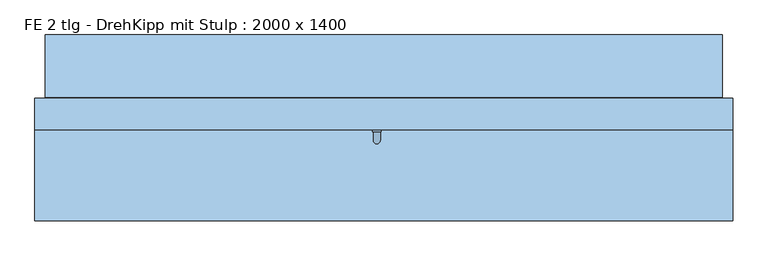
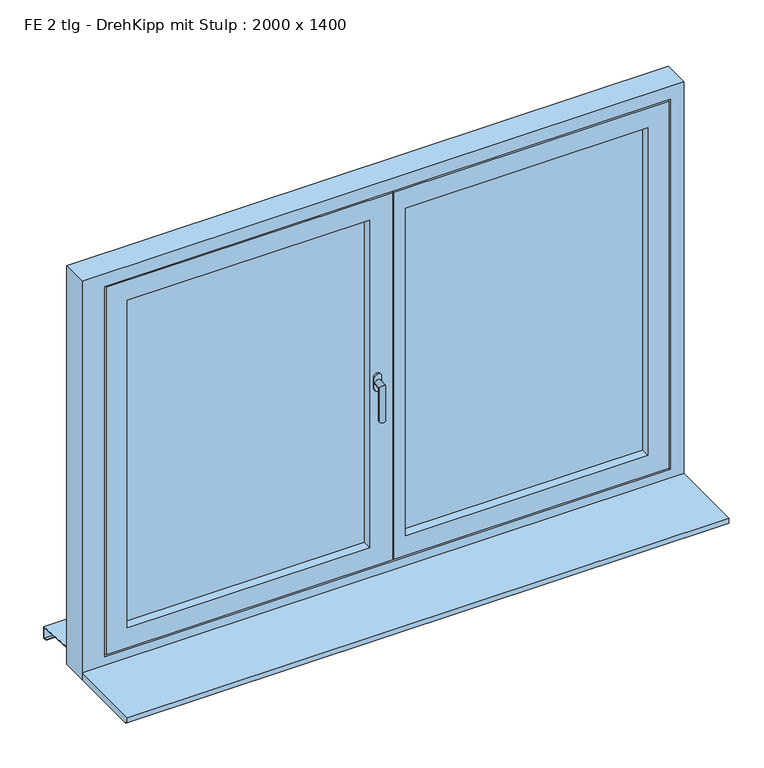
"""IFC4 building model written with IfcOpenShell, lengths in millimetres: window geometry, FE 2 tlg - DrehKipp mit Stulp : 2000 x 1400."""

from ifc_helpers import new_model, si_unit, frame, origin, place, context, project, spatial, polyline, circle_curve, ellipse_curve, outline, extrude, faceted_brep, source, transform, mapped, element, save
from ifc_brep_helpers import plane_surface, cylinder_surface, advanced_brep


def fe_2_tlg_drehkipp_mit_stulp_2000_x_1400_9ab2fd6d(model_context):
    return source(origin(), model_context, "Body", "SolidModel", [
        advanced_brep(
        [(-32.5, -20.0, 1572.5), (-7.5, -20.0, 1572.5), (-7.5, -20.0, 1555.0), (-7.5, -20.0, 1537.5), (-32.5, -20.0, 1537.5), (-32.5, -20.0, 1555.0), (-10.0, -50.0, 1555.0), (-10.0, -26.0, 1555.0), (-30.0, -26.0, 1555.0), (-30.0, -50.0, 1555.0), (-10.0, -50.0, 1435.0), (-30.0, -50.0, 1435.0), (-32.5, -26.0, 1572.5), (-32.5, -26.0, 1555.0), (-32.5, -26.0, 1537.5), (-7.5, -26.0, 1537.5), (-7.5, -26.0, 1555.0), (-7.5, -26.0, 1572.5)],
        [
            (0, 1, circle_curve(frame((-20.0, -20.0, 1572.5), z_axis=(0.0, 1.0, 0.0), x_axis=(-1.0, 0.0, 0.0)), 12.5)),
            (1, 2),
            (2, 3),
            (3, 4, circle_curve(frame((-20.0, -20.0, 1537.5), z_axis=(0.0, 1.0, 0.0), x_axis=(-1.0, 0.0, 0.0)), 12.5)),
            (4, 5),
            (5, 0),
            (6, 7),
            (7, 8, circle_curve(frame((-20.0, -26.0, 1555.0), z_axis=(0.0, -1.0, 0.0), x_axis=(-1.0, 0.0, 0.0)), 10.0)),
            (8, 9),
            (9, 6, ellipse_curve(frame((-20.0, -50.0, 1555.0), z_axis=(0.0, 0.7071067811865498, 0.7071067811865451), x_axis=(0.0, 0.7071067811865452, -0.7071067811865497)), 14.1421356, 10.0)),
            (8, 7, circle_curve(frame((-20.0, -26.0, 1555.0), z_axis=(0.0, -1.0, 0.0), x_axis=(-1.0, 0.0, 0.0)), 10.0)),
            (6, 9, ellipse_curve(frame((-20.0, -50.0, 1555.0), z_axis=(0.0, 0.7071067811865498, 0.7071067811865451), x_axis=(0.0, 0.7071067811865452, -0.7071067811865497)), 14.1421356, 10.0)),
            (10, 11, circle_curve(frame((-20.0, -50.0, 1435.0), z_axis=(0.0, 0.0, -1.0), x_axis=(-1.0, 0.0, 0.0)), 10.0)),
            (11, 10, circle_curve(frame((-20.0, -50.0, 1435.0), z_axis=(0.0, 0.0, -1.0), x_axis=(-1.0, 0.0, 0.0)), 10.0)),
            (9, 11),
            (10, 6),
            (12, 13),
            (13, 14),
            (14, 15, circle_curve(frame((-20.0, -26.0, 1537.5), z_axis=(0.0, -1.0, 0.0), x_axis=(-1.0, 0.0, 0.0)), 12.5)),
            (15, 16),
            (16, 17),
            (17, 12, circle_curve(frame((-20.0, -26.0, 1572.5), z_axis=(0.0, -1.0, 0.0), x_axis=(-1.0, 0.0, 0.0)), 12.5)),
            (17, 1),
            (0, 12),
            (16, 2),
            (15, 3),
            (14, 4),
            (13, 5),
        ],
        [
            plane_surface(frame((-20.0, -20.0, 1555.0), z_axis=(0.0, 1.0, 0.0), x_axis=(-1.0, 0.0, 0.0))),
            cylinder_surface(frame((-20.0, -20.0, 1555.0), z_axis=(0.0, 1.0, 0.0), x_axis=(-1.0, 0.0, 0.0)), 10.0),
            plane_surface(frame((-20.0, -50.0, 1435.0), z_axis=(0.0, 0.0, -1.0), x_axis=(-1.0, 0.0, 0.0))),
            cylinder_surface(frame((-20.0, -50.0, 1555.0), z_axis=(0.0, 0.0, 1.0), x_axis=(-1.0, 0.0, 0.0)), 10.0),
            plane_surface(frame((-32.5, -26.0, 1572.5), z_axis=(0.0, -1.0, 0.0), x_axis=(0.0, 0.0, 1.0))),
            cylinder_surface(frame((-20.0, -20.0, 1572.5), z_axis=(0.0, -1.0, 0.0), x_axis=(-1.0, 0.0, 0.0)), 12.5),
            plane_surface(frame((-7.5, -26.0, 1572.5), z_axis=(1.0, 0.0, 0.0), x_axis=(0.0, 1.0, 0.0))),
            plane_surface(frame((-7.5, -26.0, 1555.0), z_axis=(1.0, 0.0, 0.0), x_axis=(0.0, 1.0, 0.0))),
            cylinder_surface(frame((-20.0, -20.0, 1537.5), z_axis=(0.0, -1.0, 0.0), x_axis=(-1.0, 0.0, 0.0)), 12.5),
            plane_surface(frame((-32.5, -26.0, 1537.5), z_axis=(-1.0, 0.0, 0.0), x_axis=(0.0, 1.0, 0.0))),
            plane_surface(frame((-32.5, -26.0, 1555.0), z_axis=(-1.0, 0.0, 0.0), x_axis=(0.0, 1.0, 0.0))),
        ],
        [
            (0, [[1, 2, 3, 4, 5, 6]]),
            (1, [[7, 8, 9, 10]]),
            (1, [[-9, 11, -7, 12]]),
            (2, [[13, 14]]),
            (3, [[15, -13, 16, -10]]),
            (3, [[-16, -14, -15, -12]]),
            (4, [[17, 18, 19, 20, 21, 22], [-11, -8]]),
            (5, [[23, -1, 24, -22]]),
            (6, [[25, -2, -23, -21]]),
            (7, [[26, -3, -25, -20]]),
            (8, [[27, -4, -26, -19]]),
            (9, [[28, -5, -27, -18]]),
            (10, [[-24, -6, -28, -17]]),
        ],
    ),
        extrude(outline(polyline([(75.0, 11.0), (75.0, 55.0), (880.0, 55.0), (880.0, 11.0), (75.0, 11.0)])), frame((0.0, 0.0, 980.0), z_axis=(0.0, 0.0, 1.0), x_axis=(1.0, 0.0, 0.0)), (0.0, 0.0, 1.0), 1150.0),
        extrude(outline(polyline([(-850.0, 55.0), (-45.0, 55.0), (-45.0, 11.0), (-850.0, 11.0), (-850.0, 55.0)])), frame((0.0, 0.0, 980.0), z_axis=(0.0, 0.0, 1.0), x_axis=(1.0, 0.0, 0.0)), (0.0, 0.0, 1.0), 1150.0),
        faceted_brep([(-2.5, 70.0, 2160.0), (910.0, 70.0, 2160.0), (910.0, 70.0, 950.0), (-2.5, 70.0, 950.0), (75.0, 70.0, 2130.0), (75.0, 70.0, 980.0), (880.0, 70.0, 980.0), (880.0, 70.0, 2130.0), (37.5, -20.0, 910.0), (37.5, -5.0, 910.0), (950.0, -5.0, 910.0), (950.0, -20.0, 910.0), (950.0, -5.0, 2200.0), (950.0, -20.0, 2200.0), (37.5, -20.0, 2200.0), (75.0, -20.0, 2130.0), (880.0, -20.0, 2130.0), (880.0, -20.0, 980.0), (75.0, -20.0, 980.0), (37.5, -5.0, 2200.0), (37.5, -5.0, 2185.0), (37.5, -5.0, 925.0), (-2.5, 55.0, 950.0), (-2.5, 55.0, 2160.0), (12.5, 55.0, 950.0), (12.5, 55.0, 2160.0), (12.5, 55.0, 935.0), (12.5, 25.0, 935.0), (12.5, 25.0, 2175.0), (12.5, 55.0, 2175.0), (22.5, 25.0, 935.0), (22.5, 25.0, 2175.0), (22.5, 25.0, 925.0), (22.5, -5.0, 925.0), (22.5, -5.0, 2185.0), (22.5, 25.0, 2185.0), (910.0, 55.0, 950.0), (910.0, 55.0, 2160.0), (935.0, -5.0, 2185.0), (935.0, -5.0, 925.0), (925.0, 25.0, 935.0), (925.0, 55.0, 935.0), (925.0, 55.0, 2175.0), (935.0, 25.0, 925.0), (925.0, 25.0, 2175.0), (935.0, 25.0, 2185.0)], [[[0, 1, 2, 3], [4, 5, 6, 7]], [[8, 9, 10, 11]], [[11, 10, 12, 13]], [[13, 14, 8, 11], [15, 16, 17, 18]], [[18, 5, 4, 15]], [[17, 6, 5, 18]], [[16, 7, 6, 17]], [[13, 12, 19, 14]], [[15, 4, 7, 16]], [[14, 19, 20, 21, 9, 8]], [[3, 22, 23, 0]], [[22, 24, 25, 23]], [[24, 26, 27, 28, 29, 25]], [[27, 30, 31, 28]], [[30, 32, 33, 34, 35, 31]], [[33, 21, 20, 34]], [[36, 24, 22, 3, 2]], [[2, 1, 37, 36]], [[38, 20, 19, 12, 10, 9, 21, 39]], [[40, 30, 27, 26, 41]], [[37, 25, 29, 42, 41, 26, 24, 36]], [[39, 21, 33, 32, 43]], [[44, 31, 35, 45, 43, 32, 30, 40]], [[41, 42, 44, 40]], [[43, 45, 38, 39]], [[1, 0, 23, 25, 37]], [[42, 29, 28, 31, 44]], [[45, 35, 34, 20, 38]]]),
        faceted_brep([(-895.0, 55.0, 2175.0), (7.5, 55.0, 2175.0), (7.5, 55.0, 935.0), (-895.0, 55.0, 935.0), (-880.0, 55.0, 950.0), (-7.5, 55.0, 950.0), (-7.5, 55.0, 2160.0), (-880.0, 55.0, 2160.0), (-880.0, 70.0, 2160.0), (-880.0, 70.0, 950.0), (-7.5, 70.0, 950.0), (-7.5, 70.0, 2160.0), (-850.0, 70.0, 2130.0), (-850.0, 70.0, 980.0), (-45.0, 70.0, 980.0), (-45.0, 70.0, 2130.0), (-905.0, 25.0, 2185.0), (17.5, 25.0, 2185.0), (17.5, 25.0, 925.0), (-905.0, 25.0, 925.0), (-895.0, 25.0, 935.0), (7.5, 25.0, 935.0), (7.5, 25.0, 2175.0), (-895.0, 25.0, 2175.0), (-920.0, -5.0, 2200.0), (32.5, -5.0, 2200.0), (32.5, -5.0, 910.0), (-920.0, -5.0, 910.0), (-905.0, -5.0, 925.0), (17.5, -5.0, 925.0), (17.5, -5.0, 2185.0), (-905.0, -5.0, 2185.0), (-920.0, -20.0, 2200.0), (-920.0, -20.0, 910.0), (32.5, -20.0, 910.0), (32.5, -20.0, 2200.0), (-850.0, -20.0, 2130.0), (-45.0, -20.0, 2130.0), (-45.0, -20.0, 980.0), (-850.0, -20.0, 980.0)], [[[0, 1, 2, 3], [4, 5, 6, 7]], [[7, 8, 9, 4]], [[9, 10, 5, 4]], [[8, 11, 10, 9], [12, 13, 14, 15]], [[16, 17, 18, 19], [20, 21, 22, 23]], [[23, 0, 3, 20]], [[2, 21, 20, 3]], [[24, 25, 26, 27], [28, 29, 30, 31]], [[31, 16, 19, 28]], [[18, 29, 28, 19]], [[5, 10, 11, 6]], [[1, 22, 21, 2]], [[17, 30, 29, 18]], [[32, 24, 27, 33]], [[26, 34, 33, 27]], [[25, 35, 34, 26]], [[33, 34, 35, 32], [36, 37, 38, 39]], [[39, 13, 12, 36]], [[38, 14, 13, 39]], [[37, 15, 14, 38]], [[7, 6, 11, 8]], [[23, 22, 1, 0]], [[31, 30, 17, 16]], [[32, 35, 25, 24]], [[36, 12, 15, 37]]]),
        faceted_brep([(-970.0, 252.0, 860.6252434), (-970.0, 230.0, 862.0002434), (-970.0, 72.0, 871.8752434), (970.0, 72.0, 871.8752434), (970.0, 230.0, 862.0002434), (970.0, 252.0, 860.6252434), (-970.0, 252.0, 820.6252434), (970.0, 252.0, 820.6252434), (-970.0, 240.0, 820.6252434), (970.0, 240.0, 820.6252434), (-970.0, 240.0, 822.6252434), (970.0, 240.0, 822.6252434), (-970.0, 250.0, 822.6252434), (970.0, 250.0, 822.6252434), (-970.0, 250.0, 858.75), (970.0, 250.0, 858.75), (-970.0, 230.0, 860.0), (970.0, 230.0, 860.0), (970.0, 70.0, 870.0), (-970.0, 70.0, 870.0), (-970.0, 70.0, 890.0), (970.0, 70.0, 890.0), (-970.0, 72.0, 890.0), (970.0, 72.0, 890.0)], [[[0, 1, 2, 3, 4, 5]], [[6, 0, 5, 7]], [[8, 6, 7, 9]], [[10, 8, 9, 11]], [[12, 10, 11, 13]], [[14, 12, 13, 15]], [[16, 14, 15, 17, 18, 19]], [[20, 19, 18, 21]], [[22, 20, 21, 23]], [[2, 22, 23, 3]], [[16, 1, 0, 6, 8, 10, 12, 14]], [[17, 4, 3, 23, 21, 18]], [[1, 16, 19, 20, 22, 2]], [[4, 17, 15, 13, 11, 9, 7, 5]]]),
        faceted_brep([(1000.0, 70.0, 850.0), (1000.0, -20.0, 850.0), (-1000.0, -20.0, 850.0), (-1000.0, 70.0, 850.0), (1000.0, 70.0, 2250.0), (1000.0, -20.0, 2250.0), (-1000.0, -20.0, 2250.0), (955.0, -20.0, 2205.0), (955.0, -20.0, 905.0), (-925.0, -20.0, 905.0), (-925.0, -20.0, 2205.0), (-1000.0, 70.0, 2250.0), (915.0, 70.0, 945.0), (915.0, 70.0, 2165.0), (-885.0, 70.0, 2165.0), (-885.0, 70.0, 945.0), (915.0, 55.0, 945.0), (915.0, 55.0, 2165.0), (-885.0, 55.0, 945.0), (-885.0, 55.0, 2165.0), (955.0, -5.0, 2205.0), (955.0, -5.0, 905.0), (-925.0, -5.0, 905.0), (-925.0, -5.0, 2205.0), (940.0, -5.0, 2190.0), (940.0, -5.0, 920.0), (-910.0, -5.0, 920.0), (-910.0, -5.0, 2190.0), (940.0, 25.0, 920.0), (940.0, 25.0, 2190.0), (-910.0, 25.0, 2190.0), (-910.0, 25.0, 920.0), (930.0, 25.0, 2180.0), (930.0, 25.0, 930.0), (-900.0, 25.0, 930.0), (-900.0, 25.0, 2180.0), (930.0, 55.0, 930.0), (930.0, 55.0, 2180.0), (-900.0, 55.0, 2180.0), (-900.0, 55.0, 930.0)], [[[0, 1, 2, 3]], [[4, 5, 1, 0]], [[5, 6, 2, 1], [7, 8, 9, 10]], [[6, 11, 3, 2]], [[11, 4, 0, 3], [12, 13, 14, 15]], [[12, 16, 17, 13]], [[18, 15, 14, 19]], [[16, 12, 15, 18]], [[20, 21, 8, 7]], [[8, 21, 22, 9]], [[9, 22, 23, 10]], [[21, 20, 23, 22], [24, 25, 26, 27]], [[28, 29, 30, 31], [32, 33, 34, 35]], [[29, 28, 25, 24]], [[25, 28, 31, 26]], [[36, 37, 38, 39], [17, 16, 18, 19]], [[37, 36, 33, 32]], [[33, 36, 39, 34]], [[26, 31, 30, 27]], [[34, 39, 38, 35]], [[4, 11, 6, 5]], [[20, 7, 10, 23]], [[29, 24, 27, 30]], [[37, 32, 35, 38]], [[13, 17, 19, 14]]]),
        extrude(outline(polyline([(-280.0, 875.0), (-20.0, 875.0), (-20.0, 850.0), (-270.0, 850.0), (-270.0, 857.0), (-280.0, 857.0), (-280.0, 875.0)])), frame((-1000.0, 0.0, 0.0), z_axis=(1.0, 0.0, 0.0), x_axis=(0.0, 1.0, 0.0)), (0.0, 0.0, 1.0), 2000.0),
    ])


if __name__ == "__main__":
    model = new_model("IFC4")
    model_context = context("Model", 3, world=origin())
    ifc_project = project(units=[si_unit("LENGTHUNIT", "METRE", prefix="MILLI")], contexts=[model_context])
    site = spatial("IfcSite", under=ifc_project)
    building = spatial("IfcBuilding", under=site)
    placement = place(None, origin())
    fe_2_tlg_drehkipp_mit_stulp_2000_x_1400_shape = fe_2_tlg_drehkipp_mit_stulp_2000_x_1400_9ab2fd6d(model_context)
    element("IfcWindow", 1, ObjectType="FE 2 tlg - DrehKipp mit Stulp : 2000 x 1400", at=placement, inside=building, context=model_context, shape_type="MappedRepresentation", body=[
        mapped(fe_2_tlg_drehkipp_mit_stulp_2000_x_1400_shape, transform((0.0, 0.0, 0.0), x_axis=(1.0, 0.0, 0.0), y_axis=(0.0, 1.0, 0.0), z_axis=(0.0, 0.0, 1.0))),
    ])
    save(model, "model.ifc")
